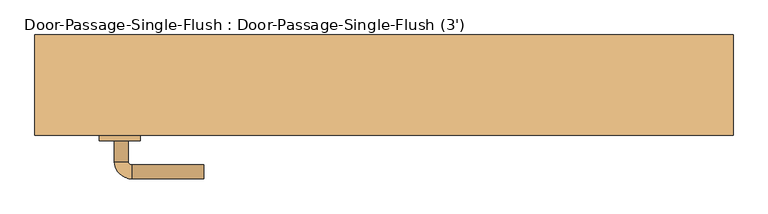
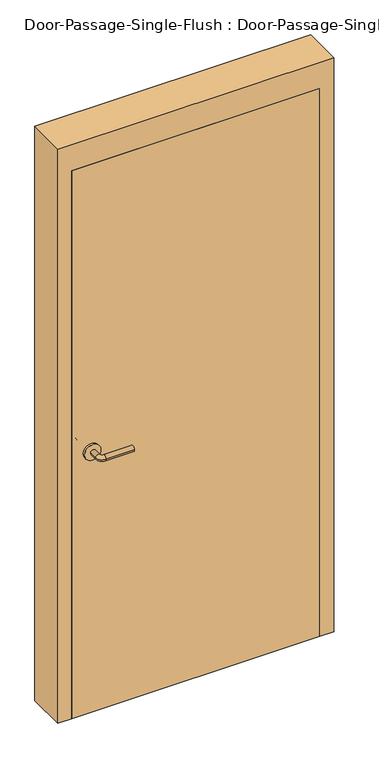
"""IFC4 building model written with IfcOpenShell, lengths in millimetres: door geometry, Door-Passage-Single-Flush : Door-Passage-Single-Flush (3')."""

from ifc_helpers import new_model, si_unit, point, frame, frame_2d, origin, origin_with_axes, place, context, project, spatial, polyline, circle_curve, ellipse_curve, trimmed, segment, composite_curve, outline, extrude, faceted_brep, source, transform, mapped, element, save
from ifc_brep_helpers import plane_surface, cylinder_surface, revolved_surface, advanced_brep


def door_passage_single_flush_door_passage_single_flush_3_a0d5daaf(model_context):
    return source(origin(), model_context, "Body", "SolidModel", [
        advanced_brep(
        [(-392.190625, -55.5, 1016.0), (-372.190625, -55.5, 1016.0), (-392.190625, -25.5, 1016.0), (-372.190625, -25.5, 1016.0), (-367.190625, -20.5, 1016.0), (-367.190625, -0.5, 1016.0), (-262.190625, -0.5, 1016.0), (-262.190625, -20.5, 1016.0)],
        [
            (0, 1, circle_curve(frame((-382.190625, -55.5, 1016.0), z_axis=(0.0, -1.0, 0.0), x_axis=(1.0, 0.0, 0.0)), 10.0)),
            (1, 0, circle_curve(frame((-382.190625, -55.5, 1016.0), z_axis=(0.0, -1.0, 0.0), x_axis=(1.0, 0.0, 0.0)), 10.0)),
            (0, 2),
            (2, 3, circle_curve(frame((-382.190625, -25.5, 1016.0), z_axis=(0.0, -1.0, 0.0), x_axis=(1.0, 0.0, 0.0)), 10.0)),
            (3, 1),
            (3, 2, circle_curve(frame((-382.190625, -25.5, 1016.0), z_axis=(0.0, -1.0, 0.0), x_axis=(1.0, 0.0, 0.0)), 10.0)),
            (4, 3, circle_curve(frame((-367.190625, -25.5, 1016.0), z_axis=(0.0, 0.0, 1.0), x_axis=(-1.0, 0.0, 0.0)), 5.0)),
            (2, 5, circle_curve(frame((-367.190625, -25.5, 1016.0), z_axis=(0.0, 0.0, -1.0), x_axis=(-1.0, 0.0, 0.0)), 25.0)),
            (5, 4, circle_curve(frame((-367.190625, -10.5, 1016.0), z_axis=(-1.0, 0.0, 0.0), x_axis=(0.0, -1.0, 0.0)), 10.0)),
            (4, 5, circle_curve(frame((-367.190625, -10.5, 1016.0), z_axis=(-1.0, 0.0, 0.0), x_axis=(0.0, -1.0, 0.0)), 10.0)),
            (6, 7, circle_curve(frame((-262.190625, -10.5, 1016.0), z_axis=(1.0, 0.0, 0.0), x_axis=(0.0, -1.0, 0.0)), 10.0)),
            (7, 6, circle_curve(frame((-262.190625, -10.5, 1016.0), z_axis=(1.0, 0.0, 0.0), x_axis=(0.0, -1.0, 0.0)), 10.0)),
            (5, 6),
            (7, 4),
        ],
        [
            plane_surface(frame((-382.190625, -55.5, 1016.0), z_axis=(0.0, -1.0, 0.0), x_axis=(0.0, 0.0, 1.0))),
            cylinder_surface(frame((-382.190625, -55.5, 1016.0), z_axis=(0.0, -1.0, 0.0), x_axis=(1.0, 0.0, 0.0)), 10.0),
            revolved_surface(trimmed(ellipse_curve(frame((-382.190625, -25.5, 1016.0), z_axis=(0.0, -1.0, 0.0), x_axis=(1.0, 0.0, 0.0)), 10.0, 10.0), [point((-392.190625, -25.5, 1016.0))], [point((-372.190625, -25.5, 1016.0))], True, "CARTESIAN"), (-367.190625, -25.5, 1016.0), (0.0, 0.0, -1.0)),
            revolved_surface(trimmed(ellipse_curve(frame((-382.190625, -25.5, 1016.0), z_axis=(0.0, -1.0, 0.0), x_axis=(1.0, 0.0, 0.0)), 10.0, 10.0), [point((-372.190625, -25.5, 1016.0))], [point((-392.190625, -25.5, 1016.0))], True, "CARTESIAN"), (-367.190625, -25.5, 1016.0), (0.0, 0.0, -1.0)),
            plane_surface(frame((-262.190625, -10.5, 1016.0), z_axis=(1.0, 0.0, 0.0), x_axis=(0.0, 0.0, 1.0))),
            cylinder_surface(frame((-367.190625, -10.5, 1016.0), z_axis=(-1.0, 0.0, 0.0), x_axis=(0.0, -1.0, 0.0)), 10.0),
        ],
        [
            (0, [[1, 2]]),
            (1, [[-1, 3, 4, 5]]),
            (1, [[-2, -5, 6, -3]]),
            (2, [[7, -4, 8, 9]]),
            (3, [[-8, -6, -7, 10]]),
            (4, [[11, 12]]),
            (5, [[-9, 13, -12, 14]]),
            (5, [[-10, -14, -11, -13]]),
        ],
    ),
        extrude(outline(composite_curve([segment(trimmed(circle_curve(frame_2d((1016.0, -384.690625)), 30.0), [point((1016.0, -414.690625))], [point((1016.0, -354.690625))], False, "CARTESIAN"), True, "CONTINUOUS"), segment(trimmed(circle_curve(frame_2d((1016.0, -384.690625)), 30.0), [point((1016.0, -354.690625))], [point((1016.0, -414.690625))], False, "CARTESIAN"), True, "CONTINUOUS")], self_intersect=False)), frame((0.0, -63.5, 0.0), z_axis=(0.0, 1.0, 0.0), x_axis=(0.0, 0.0, 1.0)), (0.0, 0.0, 1.0), 8.0),
        advanced_brep(
        [(-392.190625, -115.95, 1016.0), (-372.190625, -115.95, 1016.0), (-372.190625, -145.95, 1016.0), (-392.190625, -145.95, 1016.0), (-367.190625, -150.95, 1016.0), (-367.190625, -170.95, 1016.0), (-262.190625, -170.95, 1016.0), (-262.190625, -150.95, 1016.0)],
        [
            (0, 1, circle_curve(frame((-382.190625, -115.95, 1016.0), z_axis=(0.0, 1.0, 0.0), x_axis=(1.0, 0.0, 0.0)), 10.0)),
            (1, 0, circle_curve(frame((-382.190625, -115.95, 1016.0), z_axis=(0.0, 1.0, 0.0), x_axis=(1.0, 0.0, 0.0)), 10.0)),
            (1, 2),
            (2, 3, circle_curve(frame((-382.190625, -145.95, 1016.0), z_axis=(0.0, 1.0, 0.0), x_axis=(1.0, 0.0, 0.0)), 10.0)),
            (3, 0),
            (3, 2, circle_curve(frame((-382.190625, -145.95, 1016.0), z_axis=(0.0, 1.0, 0.0), x_axis=(1.0, 0.0, 0.0)), 10.0)),
            (4, 5, circle_curve(frame((-367.190625, -160.95, 1016.0), z_axis=(-1.0, 0.0, 0.0), x_axis=(0.0, 1.0, 0.0)), 10.0)),
            (5, 3, circle_curve(frame((-367.190625, -145.95, 1016.0), z_axis=(0.0, 0.0, -1.0), x_axis=(-1.0, 0.0, 0.0)), 25.0)),
            (2, 4, circle_curve(frame((-367.190625, -145.95, 1016.0), z_axis=(0.0, 0.0, 1.0), x_axis=(-1.0, 0.0, 0.0)), 5.0)),
            (5, 4, circle_curve(frame((-367.190625, -160.95, 1016.0), z_axis=(-1.0, 0.0, 0.0), x_axis=(0.0, 1.0, 0.0)), 10.0)),
            (6, 7, circle_curve(frame((-262.190625, -160.95, 1016.0), z_axis=(1.0, 0.0, 0.0), x_axis=(0.0, 1.0, 0.0)), 10.0)),
            (7, 6, circle_curve(frame((-262.190625, -160.95, 1016.0), z_axis=(1.0, 0.0, 0.0), x_axis=(0.0, 1.0, 0.0)), 10.0)),
            (4, 7),
            (6, 5),
        ],
        [
            plane_surface(frame((-382.190625, -115.95, 1016.0), z_axis=(0.0, 1.0, 0.0), x_axis=(0.0, 0.0, 1.0))),
            cylinder_surface(frame((-382.190625, -115.95, 1016.0), z_axis=(0.0, 1.0, 0.0), x_axis=(1.0, 0.0, 0.0)), 10.0),
            revolved_surface(trimmed(ellipse_curve(frame((-382.190625, -145.95, 1016.0), z_axis=(0.0, -1.0, 0.0), x_axis=(1.0, 0.0, 0.0)), 10.0, 10.0), [point((-392.190625, -145.95, 1016.0))], [point((-372.190625, -145.95, 1016.0))], True, "CARTESIAN"), (-367.190625, -145.95, 1016.0), (0.0, 0.0, -1.0)),
            revolved_surface(trimmed(ellipse_curve(frame((-382.190625, -145.95, 1016.0), z_axis=(0.0, -1.0, 0.0), x_axis=(1.0, 0.0, 0.0)), 10.0, 10.0), [point((-372.190625, -145.95, 1016.0))], [point((-392.190625, -145.95, 1016.0))], True, "CARTESIAN"), (-367.190625, -145.95, 1016.0), (0.0, 0.0, -1.0)),
            plane_surface(frame((-262.190625, -160.95, 1016.0), z_axis=(1.0, 0.0, 0.0), x_axis=(0.0, 0.0, 1.0))),
            cylinder_surface(frame((-367.190625, -160.95, 1016.0), z_axis=(-1.0, 0.0, 0.0), x_axis=(0.0, 1.0, 0.0)), 10.0),
        ],
        [
            (0, [[1, 2]]),
            (1, [[3, 4, 5, -2]]),
            (1, [[-5, 6, -3, -1]]),
            (2, [[7, 8, -4, 9]]),
            (3, [[10, -9, -6, -8]]),
            (4, [[11, 12]]),
            (5, [[13, -11, 14, -7]]),
            (5, [[-14, -12, -13, -10]]),
        ],
    ),
        extrude(outline(composite_curve([segment(trimmed(circle_curve(frame_2d((1016.0, -384.690625)), 30.0), [point((1016.0, -414.690625))], [point((1016.0, -354.690625))], False, "CARTESIAN"), True, "CONTINUOUS"), segment(trimmed(circle_curve(frame_2d((1016.0, -384.690625)), 30.0), [point((1016.0, -354.690625))], [point((1016.0, -414.690625))], False, "CARTESIAN"), True, "CONTINUOUS")], self_intersect=False)), frame((0.0, -115.95, 0.0), z_axis=(0.0, 1.0, 0.0), x_axis=(0.0, 0.0, 1.0)), (0.0, 0.0, 1.0), 8.0),
        faceted_brep([(457.2, -58.7375, 0.0), (441.325, -58.7375, 0.0), (441.325, -11.1125, 0.0), (457.2, -11.1125, 0.0), (457.2, 38.1, 0.0), (508.0, 38.1, 0.0), (508.0, -107.95, 0.0), (457.2, -107.95, 0.0), (457.2, -107.95, 2133.6), (457.2, -58.7375, 2133.6), (508.0, -107.95, 2235.2), (-508.0, -107.95, 2235.2), (-508.0, -107.95, 0.0), (-457.2, -107.95, 0.0), (-457.2, -107.95, 2133.6), (508.0, 38.1, 2235.2), (457.2, 38.1, 2133.6), (-457.2, 38.1, 2133.6), (-457.2, 38.1, 0.0), (-508.0, 38.1, 0.0), (-508.0, 38.1, 2235.2), (457.2, -11.1125, 2133.6), (441.325, -11.1125, 2117.725), (-441.325, -11.1125, 2117.725), (-441.325, -11.1125, 0.0), (-457.2, -11.1125, 0.0), (-457.2, -11.1125, 2133.6), (441.325, -58.7375, 2117.725), (-457.2, -58.7375, 2133.6), (-457.2, -58.7375, 0.0), (-441.325, -58.7375, 0.0), (-441.325, -58.7375, 2117.725)], [[[0, 1, 2, 3, 4, 5, 6, 7]], [[7, 8, 9, 0]], [[6, 10, 11, 12, 13, 14, 8, 7]], [[5, 15, 10, 6]], [[4, 16, 17, 18, 19, 20, 15, 5]], [[3, 21, 16, 4]], [[2, 22, 23, 24, 25, 26, 21, 3]], [[1, 27, 22, 2]], [[0, 9, 28, 29, 30, 31, 27, 1]], [[8, 14, 28, 9]], [[16, 21, 26, 17]], [[22, 27, 31, 23]], [[12, 19, 18, 25, 24, 30, 29, 13]], [[13, 29, 28, 14]], [[11, 20, 19, 12]], [[17, 26, 25, 18]], [[23, 31, 30, 24]], [[15, 20, 11, 10]]]),
        extrude(outline(polyline([(457.2, -63.5), (457.2, -107.95), (-457.2, -107.95), (-457.2, -63.5), (457.2, -63.5)])), origin_with_axes(), (0.0, 0.0, 1.0), 2133.6),
    ])


if __name__ == "__main__":
    model = new_model("IFC4")
    model_context = context("Model", 3, world=origin())
    ifc_project = project(units=[si_unit("LENGTHUNIT", "METRE", prefix="MILLI")], contexts=[model_context])
    site = spatial("IfcSite", under=ifc_project)
    building = spatial("IfcBuilding", under=site)
    placement = place(None, origin())
    door_passage_single_flush_door_passage_single_flush_3_shape = door_passage_single_flush_door_passage_single_flush_3_a0d5daaf(model_context)
    element("IfcDoor", 1, ObjectType="Door-Passage-Single-Flush : Door-Passage-Single-Flush (3')", at=placement, inside=building, context=model_context, shape_type="MappedRepresentation", body=[
        mapped(door_passage_single_flush_door_passage_single_flush_3_shape, transform((0.0, 0.0, 0.0), x_axis=(1.0, 0.0, 0.0), y_axis=(0.0, 1.0, 0.0), z_axis=(0.0, 0.0, 1.0))),
    ])
    save(model, "model.ifc")
